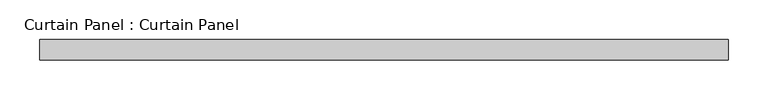
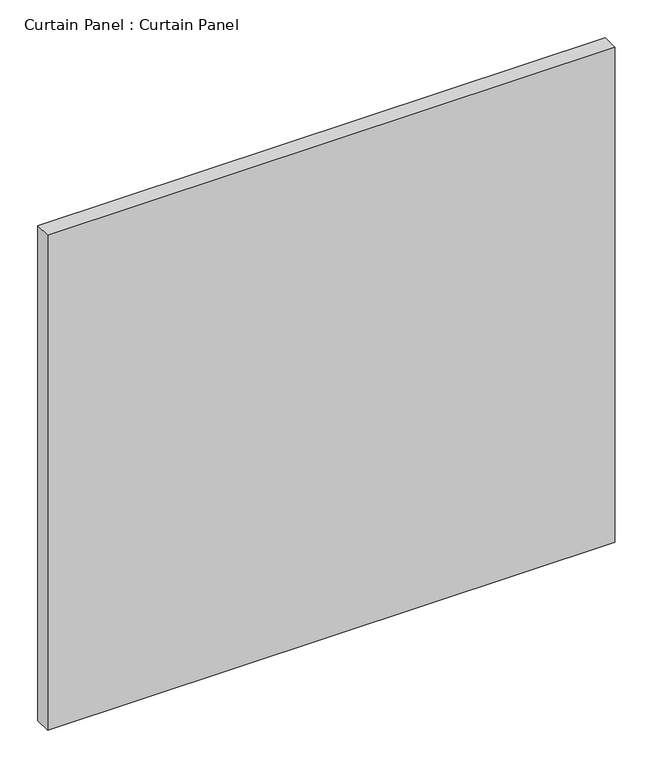
"""IFC4 building model written with IfcOpenShell, lengths in millimetres: plate geometry, Curtain Panel : Curtain Panel."""

from ifc_helpers import new_model, si_unit, frame, origin, place, context, project, spatial, polyline, outline, extrude, source, transform, mapped, element, save


def curtain_panel_curtain_panel_f7b4a09d(model_context):
    return source(origin(), model_context, "Body", "SweptSolid", [
        extrude(outline(polyline([(-12718.6613952, 2085.8025004), (-13582.451013, 2085.8025004), (-13582.451013, 2111.2025004), (-12718.6613952, 2111.2025004), (-12718.6613952, 2085.8025004)])), frame((0.0, 0.0, -297.0676735), z_axis=(0.0, 0.0, 1.0), x_axis=(1.0, 0.0, 0.0)), (0.0, 0.0, 1.0), 796.8126767),
    ])


if __name__ == "__main__":
    model = new_model("IFC4")
    model_context = context("Model", 3, world=origin())
    ifc_project = project(units=[si_unit("LENGTHUNIT", "METRE", prefix="MILLI")], contexts=[model_context])
    site = spatial("IfcSite", under=ifc_project)
    building = spatial("IfcBuilding", under=site)
    placement = place(None, origin())
    curtain_panel_curtain_panel_shape = curtain_panel_curtain_panel_f7b4a09d(model_context)
    element("IfcPlate", 1, ObjectType="Curtain Panel : Curtain Panel", at=placement, inside=building, context=model_context, shape_type="MappedRepresentation", body=[
        mapped(curtain_panel_curtain_panel_shape, transform((0.0, 0.0, 0.0), x_axis=(1.0, 0.0, 0.0), y_axis=(0.0, 1.0, 0.0), z_axis=(0.0, 0.0, 1.0))),
    ])
    save(model, "model.ifc")
